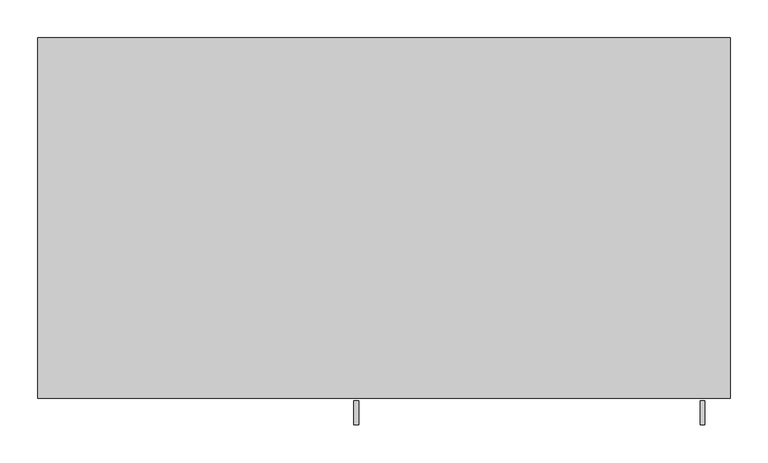
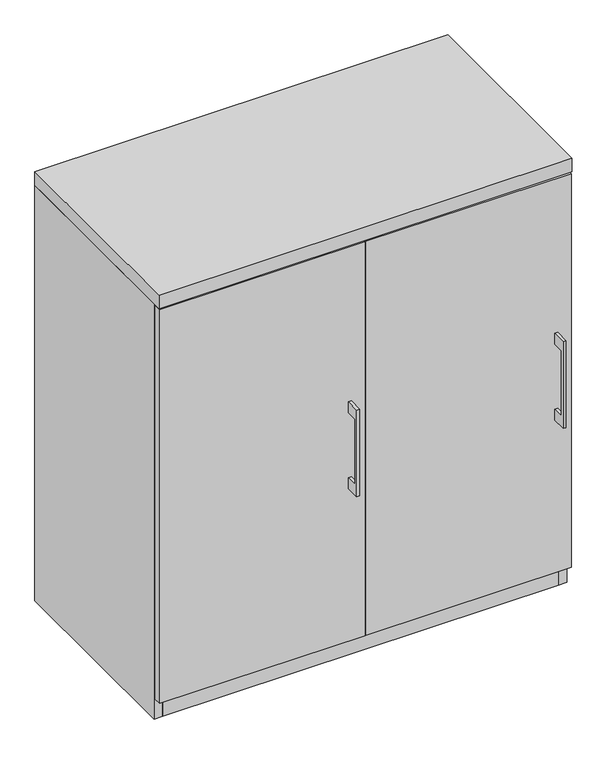
"""IFC4 building model written with IfcOpenShell, lengths in millimetres: furniture geometry."""

from ifc_helpers import new_model, si_unit, frame, origin, origin_with_axes, place, context, project, spatial, polyline, outline, extrude, source, transform, mapped, element, save


def furniture_0a815602(model_context):
    return source(origin(), model_context, "Body", "SweptSolid", [
        extrude(outline(polyline([(-479.425, 584.2), (-504.8249758, 584.2), (-504.8249758, 431.8), (-479.425, 431.8), (-479.425, 406.4), (-511.1749879, 406.4), (-511.1749879, 609.6), (-479.425, 609.6), (-479.425, 584.2)])), frame((417.5125121, 0.0, 0.0), z_axis=(1.0, 0.0, 0.0), x_axis=(0.0, 1.0, 0.0)), (0.0, 0.0, 1.0), 6.3499758),
        extrude(outline(polyline([(455.6125, -476.25), (1.5875, -476.25), (1.5875, -457.2), (455.6125, -457.2), (455.6125, -476.25)])), frame((0.0, 0.0, 47.625), z_axis=(0.0, 0.0, 1.0), x_axis=(1.0, 0.0, 0.0)), (0.0, 0.0, 1.0), 920.75),
        extrude(outline(polyline([(-479.425, 584.2), (-504.8249758, 584.2), (-504.8249758, 431.8), (-479.425, 431.8), (-479.425, 406.4), (-511.1749879, 406.4), (-511.1749879, 609.6), (-479.425, 609.6), (-479.425, 584.2)])), frame((-39.6874879, 0.0, 0.0), z_axis=(1.0, 0.0, 0.0), x_axis=(0.0, 1.0, 0.0)), (0.0, 0.0, 1.0), 6.3499758),
        extrude(outline(polyline([(-1.5875, -476.25), (-455.6125, -476.25), (-455.6125, -457.2), (-1.5875, -457.2), (-1.5875, -476.25)])), frame((0.0, 0.0, 47.625), z_axis=(0.0, 0.0, 1.0), x_axis=(1.0, 0.0, 0.0)), (0.0, 0.0, 1.0), 920.75),
        extrude(outline(polyline([(9.525, -19.05), (9.525, -457.2), (-9.525, -457.2), (-9.525, -19.05), (9.525, -19.05)])), frame((0.0, 0.0, 47.625), z_axis=(0.0, 0.0, 1.0), x_axis=(1.0, 0.0, 0.0)), (0.0, 0.0, 1.0), 923.925),
        extrude(outline(polyline([(438.15, -19.05), (438.15, -457.2), (-438.15, -457.2), (-438.15, -19.05), (438.15, -19.05)])), origin_with_axes(), (0.0, 0.0, 1.0), 47.625),
        extrude(outline(polyline([(457.2, 0.0), (457.2, -476.25), (-457.2, -476.25), (-457.2, 0.0), (457.2, 0.0)])), frame((0.0, 0.0, 971.55), z_axis=(0.0, 0.0, 1.0), x_axis=(1.0, 0.0, 0.0)), (0.0, 0.0, 1.0), 31.75),
        extrude(outline(polyline([(457.2, 0.0), (457.2, -457.2), (438.15, -457.2), (438.15, -19.05), (-438.15, -19.05), (-438.15, -457.2), (-457.2, -457.2), (-457.2, 0.0), (457.2, 0.0)])), origin_with_axes(), (0.0, 0.0, 1.0), 971.55),
    ])


if __name__ == "__main__":
    model = new_model("IFC4")
    model_context = context("Model", 3, world=origin())
    ifc_project = project(units=[si_unit("LENGTHUNIT", "METRE", prefix="MILLI")], contexts=[model_context])
    site = spatial("IfcSite", under=ifc_project)
    building = spatial("IfcBuilding", under=site)
    placement = place(None, origin())
    furniture_shape = furniture_0a815602(model_context)
    element("IfcFurniture", 1, at=placement, inside=building, context=model_context, shape_type="MappedRepresentation", body=[
        mapped(furniture_shape, transform((0.0, 0.0, 0.0), x_axis=(1.0, 0.0, 0.0), y_axis=(0.0, 1.0, 0.0), z_axis=(0.0, 0.0, 1.0))),
    ])
    save(model, "model.ifc")
